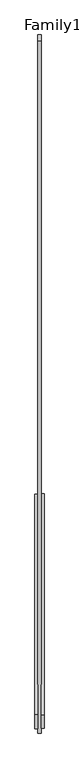
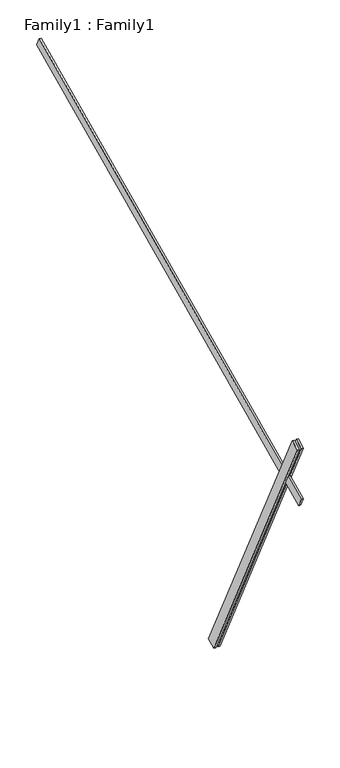
"""IFC4 building model written with IfcOpenShell, lengths in millimetres: proxy geometry, Family1 : Family1."""

from ifc_helpers import new_model, si_unit, frame, origin, place, context, project, spatial, polyline, outline, extrude, source, transform, mapped, element, save


def family1_family1_f82a608e(model_context):
    return source(origin(), model_context, "Body", "SweptSolid", [
        extrude(outline(polyline([(0.0, 0.0), (-100.0000001, 0.0), (-100.0000001, 20.0), (0.0, 20.0), (0.0, 0.0)])), frame((-30.0, -46.3241747, -22.5938096), z_axis=(0.0, -0.4383711467890692, 0.8987940462991711), x_axis=(0.0, -0.8987940462991711, -0.4383711467890692)), (0.0, 0.0, 1.0), 3300.0),
        extrude(outline(polyline([(0.0, 0.0), (-99.9999999, 0.0), (-99.9999999, 20.0), (0.0, 20.0), (0.0, 0.0)])), frame((10.0, -45.270232, -22.0797674), z_axis=(0.0, -0.4383711467890692, 0.8987940462991711), x_axis=(0.0, -0.8987940462991711, -0.4383711467890692)), (0.0, 0.0, 1.0), 3300.0),
        extrude(outline(polyline([(0.0, 20.0), (4999.9999999, 20.0), (4999.9999999, 0.0), (0.0, 0.0), (0.0, 20.0)])), frame((-10.0, 3051.7635499, 4456.8794519), z_axis=(0.0, -0.42261826174070144, 0.9063077870366492), x_axis=(0.0, -0.9063077870366492, -0.42261826174070144)), (0.0, 0.0, 1.0), 100.0),
    ])


if __name__ == "__main__":
    model = new_model("IFC4")
    model_context = context("Model", 3, world=origin())
    ifc_project = project(units=[si_unit("LENGTHUNIT", "METRE", prefix="MILLI")], contexts=[model_context])
    site = spatial("IfcSite", under=ifc_project)
    building = spatial("IfcBuilding", under=site)
    placement = place(None, origin())
    family1_family1_shape = family1_family1_f82a608e(model_context)
    element("IfcBuildingElementProxy", 1, Name="Family1 : Family1", ObjectType="Family1 : Family1", at=placement, inside=building, context=model_context, shape_type="MappedRepresentation", body=[
        mapped(family1_family1_shape, transform((0.0, 0.0, 0.0), x_axis=(1.0, 0.0, 0.0), y_axis=(0.0, 1.0, 0.0), z_axis=(0.0, 0.0, 1.0))),
    ])
    save(model, "model.ifc")
